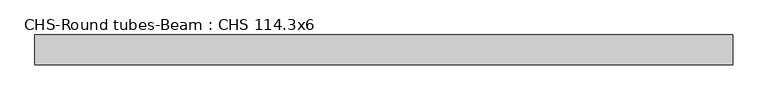
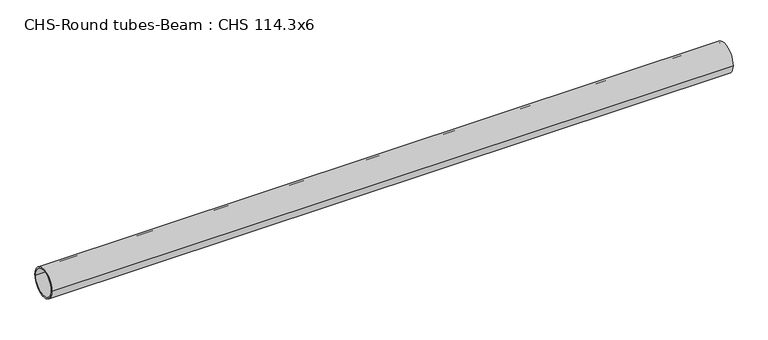
"""IFC4 building model written with IfcOpenShell, lengths in millimetres: beam geometry, CHS-Round tubes-Beam : CHS 114.3x6."""

from ifc_helpers import new_model, si_unit, point, frame, origin, origin_2d, place, context, project, spatial, circle_curve, trimmed, segment, composite_curve, outline, extrude, source, transform, mapped, element, save


def chs_round_tubes_beam_chs_114_3x6_0a2db1f6(model_context):
    return source(origin(), model_context, "Body", "SweptSolid", [
        extrude(outline(composite_curve([segment(trimmed(circle_curve(origin_2d(), 57.15), [point((57.15, 0.0))], [point((-57.15, 0.0))], False, "CARTESIAN"), True, "CONTINUOUS"), segment(trimmed(circle_curve(origin_2d(), 57.15), [point((-57.15, 0.0))], [point((57.15, 0.0))], False, "CARTESIAN"), True, "CONTINUOUS")], self_intersect=False), holes=[composite_curve([segment(trimmed(circle_curve(origin_2d(), 51.15), [point((51.15, 0.0))], [point((-51.15, 0.0))], True, "CARTESIAN"), True, "CONTINUOUS"), segment(trimmed(circle_curve(origin_2d(), 51.15), [point((-51.15, 0.0))], [point((51.15, 0.0))], True, "CARTESIAN"), True, "CONTINUOUS")], self_intersect=False)]), frame((-1289.3410439, 0.0, 0.0), z_axis=(1.0, 0.0, 0.0), x_axis=(0.0, 1.0, 0.0)), (0.0, 0.0, 1.0), 2658.4484633),
    ])


if __name__ == "__main__":
    model = new_model("IFC4")
    model_context = context("Model", 3, world=origin())
    ifc_project = project(units=[si_unit("LENGTHUNIT", "METRE", prefix="MILLI")], contexts=[model_context])
    site = spatial("IfcSite", under=ifc_project)
    building = spatial("IfcBuilding", under=site)
    placement = place(None, origin())
    chs_round_tubes_beam_chs_114_3x6_shape = chs_round_tubes_beam_chs_114_3x6_0a2db1f6(model_context)
    element("IfcBeam", 1, ObjectType="CHS-Round tubes-Beam : CHS 114.3x6", at=placement, inside=building, context=model_context, shape_type="MappedRepresentation", body=[
        mapped(chs_round_tubes_beam_chs_114_3x6_shape, transform((0.0, 0.0, 0.0), x_axis=(1.0, 0.0, 0.0), y_axis=(0.0, 1.0, 0.0), z_axis=(0.0, 0.0, 1.0))),
    ])
    save(model, "model.ifc")
